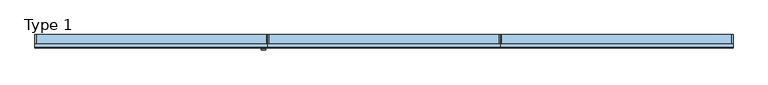
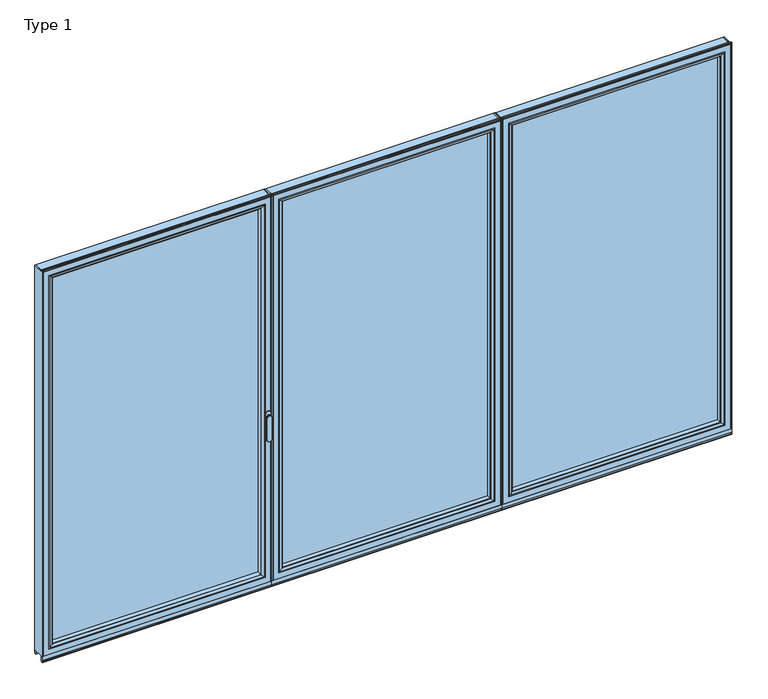
"""IFC4 building model written with IfcOpenShell, lengths in millimetres: window geometry, Type 1."""

from ifc_helpers import new_model, si_unit, point, frame, frame_2d, origin, place, context, project, spatial, polyline, circle_curve, ellipse_curve, trimmed, segment, composite_curve, outline, extrude, source, transform, mapped, element, save
from ifc_brep_helpers import plane_surface, cylinder_surface, extruded_surface, advanced_brep


def type_1_416e1570(model_context):
    return source(origin(), model_context, "Body", "SolidModel", [
        extrude(outline(polyline([(-639.6012885, 0.0), (-633.6012885, 0.0), (-633.6012885, -70.0), (-639.6012885, -70.0), (-639.6012885, 0.0)])), frame((0.0, 0.0, 75.0), z_axis=(0.0, 0.0, 1.0), x_axis=(1.0, 0.0, 0.0)), (0.0, 0.0, 1.0), 2262.0),
        extrude(outline(polyline([(639.5987115, 0.0), (639.5987115, -70.0), (633.5987115, -70.0), (633.5987115, 0.0), (639.5987115, 0.0)])), frame((0.0, 0.0, 75.0), z_axis=(0.0, 0.0, 1.0), x_axis=(1.0, 0.0, 0.0)), (0.0, 0.0, 1.0), 2262.0),
        extrude(outline(polyline([(-601.6012885, -13.999939), (601.5987115, -13.999939), (601.5987115, -37.9928974), (-601.6012885, -37.9928974), (-601.6012885, -13.999939)])), frame((0.0, 0.0, 107.0), z_axis=(0.0, 0.0, 1.0), x_axis=(1.0, 0.0, 0.0)), (0.0, 0.0, 1.0), 2198.0),
        advanced_brep(
        [(579.5991387, -64.5552044, 2283.0004272), (579.5991387, -37.9928974, 2283.0004272), (579.5991387, -37.9928974, 128.9995728), (579.5991387, -64.5552044, 128.9995728), (601.5987115, -37.9928974, 2305.0), (601.5987115, -37.9928974, 107.0), (-601.6012885, -37.9928974, 107.0), (-601.6012885, -37.9928974, 2305.0), (-579.6017157, -37.9928974, 2283.0004272), (-579.6017157, -37.9928974, 128.9995728), (-579.6017157, -64.5552044, 128.9995728), (580.3086822, -65.8045072, 2283.7099707), (580.3086822, -65.8045072, 128.2900293), (-580.3112592, -65.8045072, 128.2900293), (595.5987725, -70.0, 2299.000061), (595.5987725, -70.0, 112.999939), (-595.6013495, -70.0, 112.999939), (-601.6012885, -70.0, 2305.0), (-601.6012885, -70.0, 107.0), (601.5987115, -70.0, 107.0), (601.5987115, -70.0, 2305.0), (-595.6013495, -70.0, 2299.000061), (-579.6017157, -64.5552044, 2283.0004272), (-580.3112592, -65.8045072, 2283.7099707)],
        [
            (0, 1),
            (1, 2),
            (2, 3),
            (3, 0),
            (4, 5),
            (5, 6),
            (6, 7),
            (7, 4),
            (8, 9),
            (9, 2),
            (1, 8),
            (9, 10),
            (10, 3),
            (11, 0, ellipse_curve(frame((581.0537427, -64.5552044, 2284.4550312), z_axis=(0.7071067811865475, 0.0, -0.7071067811865475), x_axis=(0.7071067811865474, 0.0, 0.7071067811865476)), 2.0571207, 1.454604)),
            (3, 12, ellipse_curve(frame((581.0537427, -64.5552044, 127.5449688), z_axis=(0.7071067811865475, 0.0, 0.7071067811865475), x_axis=(-0.7071067811865474, 0.0, 0.7071067811865476)), 2.0571207, 1.454604)),
            (12, 11),
            (10, 13, ellipse_curve(frame((-581.0563197, -64.5552044, 127.5449688), z_axis=(0.7071067811865475, 0.0, -0.7071067811865475), x_axis=(0.7071067811865476, 0.0, 0.7071067811865474)), 2.0571207, 1.454604)),
            (13, 12),
            (14, 11, ellipse_curve(frame((595.5348369, -40.2735922, 2298.9361254), z_axis=(0.7071067811865475, 0.0, -0.7071067811865475), x_axis=(0.7071067811865474, 0.0, 0.7071067811865476)), 42.0395863, 29.7264765)),
            (12, 15, ellipse_curve(frame((595.5348369, -40.2735922, 113.0638746), z_axis=(0.7071067811865475, 0.0, 0.7071067811865475), x_axis=(-0.7071067811865474, 0.0, 0.7071067811865476)), 42.0395863, 29.7264765)),
            (15, 14),
            (13, 16, ellipse_curve(frame((-595.5374139, -40.2735922, 113.0638746), z_axis=(0.7071067811865475, 0.0, -0.7071067811865475), x_axis=(0.7071067811865476, 0.0, 0.7071067811865474)), 42.0395863, 29.7264765)),
            (16, 15),
            (17, 18),
            (18, 19),
            (19, 20),
            (20, 17),
            (16, 21),
            (21, 14),
            (4, 20),
            (19, 5),
            (18, 6),
            (8, 22),
            (22, 10),
            (22, 23, ellipse_curve(frame((-581.0563197, -64.5552044, 2284.4550312), z_axis=(-0.7071067811865475, 0.0, -0.7071067811865475), x_axis=(0.7071067811865474, 0.0, -0.7071067811865476)), 2.0571207, 1.454604)),
            (23, 13),
            (23, 21, ellipse_curve(frame((-595.5374139, -40.2735922, 2298.9361254), z_axis=(-0.7071067811865475, 0.0, -0.7071067811865475), x_axis=(0.7071067811865474, 0.0, -0.7071067811865476)), 42.0395863, 29.7264765)),
            (17, 7),
            (0, 22),
            (11, 23),
        ],
        [
            plane_surface(frame((579.5991387, -37.9928974, 2283.0004272), z_axis=(-1.0, 0.0, 0.0), x_axis=(0.0, 0.0, -1.0))),
            plane_surface(frame((-601.6012885, -37.9928974, 107.0), z_axis=(0.0, 1.0, 0.0), x_axis=(0.0, 0.0, 1.0))),
            plane_surface(frame((579.5991387, -37.9928974, 128.9995728), z_axis=(0.0, 0.0, 1.0), x_axis=(-1.0, 0.0, 0.0))),
            cylinder_surface(frame((581.0537427, -64.5552044, 2283.0004272), z_axis=(0.0, 0.0, 1.0), x_axis=(1.0, 0.0, 0.0)), 1.454604),
            cylinder_surface(frame((579.5991387, -64.5552044, 127.5449688), z_axis=(1.0, 0.0, 0.0), x_axis=(0.0, 0.0, -1.0)), 1.454604),
            cylinder_surface(frame((595.5348369, -40.2735922, 2283.0004272), z_axis=(0.0, 0.0, 1.0), x_axis=(1.0, 0.0, 0.0)), 29.7264765),
            cylinder_surface(frame((579.5991387, -40.2735922, 113.0638746), z_axis=(1.0, 0.0, 0.0), x_axis=(0.0, 0.0, -1.0)), 29.7264765),
            plane_surface(frame((-595.6013495, -70.0, 112.999939), z_axis=(0.0, -1.0, 0.0), x_axis=(0.0, 0.0, 1.0))),
            plane_surface(frame((601.5987115, -70.0, 2305.0), z_axis=(1.0, 0.0, 0.0), x_axis=(0.0, 0.0, -1.0))),
            plane_surface(frame((601.5987115, -70.0, 107.0), z_axis=(0.0, 0.0, -1.0), x_axis=(-1.0, 0.0, 0.0))),
            plane_surface(frame((-579.6017157, -37.9928974, 128.9995728), z_axis=(1.0, 0.0, 0.0), x_axis=(0.0, 0.0, 1.0))),
            cylinder_surface(frame((-581.0563197, -64.5552044, 128.9995728), z_axis=(0.0, 0.0, -1.0), x_axis=(-1.0, 0.0, 0.0)), 1.454604),
            cylinder_surface(frame((-595.5374139, -40.2735922, 128.9995728), z_axis=(0.0, 0.0, -1.0), x_axis=(-1.0, 0.0, 0.0)), 29.7264765),
            plane_surface(frame((-601.6012885, -70.0, 107.0), z_axis=(-1.0, 0.0, 0.0), x_axis=(0.0, 0.0, 1.0))),
            plane_surface(frame((-579.6017157, -37.9928974, 2283.0004272), z_axis=(0.0, 0.0, -1.0), x_axis=(1.0, 0.0, 0.0))),
            cylinder_surface(frame((-579.6017157, -64.5552044, 2284.4550312), z_axis=(-1.0, 0.0, 0.0), x_axis=(0.0, 0.0, 1.0)), 1.454604),
            cylinder_surface(frame((-579.6017157, -40.2735922, 2298.9361254), z_axis=(-1.0, 0.0, 0.0), x_axis=(0.0, 0.0, 1.0)), 29.7264765),
            plane_surface(frame((-601.6012885, -70.0, 2305.0), z_axis=(0.0, 0.0, 1.0), x_axis=(1.0, 0.0, 0.0))),
        ],
        [
            (0, [[1, 2, 3, 4]]),
            (1, [[5, 6, 7, 8], [9, 10, -2, 11]]),
            (2, [[-3, -10, 12, 13]]),
            (3, [[14, -4, 15, 16]]),
            (4, [[-15, -13, 17, 18]]),
            (5, [[19, -16, 20, 21]]),
            (6, [[-20, -18, 22, 23]]),
            (7, [[24, 25, 26, 27], [-21, -23, 28, 29]]),
            (8, [[30, -26, 31, -5]]),
            (9, [[-31, -25, 32, -6]]),
            (10, [[-12, -9, 33, 34]]),
            (11, [[-17, -34, 35, 36]]),
            (12, [[-22, -36, 37, -28]]),
            (13, [[-32, -24, 38, -7]]),
            (14, [[-33, -11, -1, 39]]),
            (15, [[-35, -39, -14, 40]]),
            (16, [[-37, -40, -19, -29]]),
            (17, [[-38, -27, -30, -8]]),
        ],
    ),
        advanced_brep(
        [(-633.6012885, -70.0, 2337.0), (-633.6012885, 0.0, 2337.0), (-633.6012885, 0.0, 75.0), (-633.6012885, -70.0, 75.0), (633.5987115, 0.0, 75.0), (633.5987115, -70.0, 75.0), (633.5987115, 0.0, 2337.0), (584.0995214, 0.0, 124.4991901), (584.0995214, 0.0, 2287.5008099), (-584.1020984, 0.0, 2287.5008099), (-584.1020984, 0.0, 124.4991901), (633.5987115, -70.0, 2337.0), (-601.6012885, -70.0, 107.0), (-601.6012885, -70.0, 2305.0), (601.5987115, -70.0, 2305.0), (601.5987115, -70.0, 107.0), (-601.6012885, -13.999939, 2305.0), (-601.6012885, -13.999939, 107.0), (601.5987115, -13.999939, 107.0), (601.5987115, -13.999939, 2305.0), (-579.6017157, -13.999939, 128.9995728), (-579.6017157, -13.999939, 2283.0004272), (579.5991387, -13.999939, 2283.0004272), (579.5991387, -13.999939, 128.9995728), (-579.6017157, -4.5004435, 2283.0004272), (-579.6017157, -4.5004435, 128.9995728), (579.5991387, -4.5004435, 128.9995728), (579.5991387, -4.5004435, 2283.0004272)],
        [
            (0, 1),
            (1, 2),
            (2, 3),
            (3, 0),
            (2, 4),
            (4, 5),
            (5, 3),
            (1, 6),
            (6, 4),
            (7, 8),
            (8, 9),
            (9, 10),
            (10, 7),
            (6, 11),
            (11, 5),
            (11, 0),
            (12, 13),
            (13, 14),
            (14, 15),
            (15, 12),
            (16, 13),
            (12, 17),
            (17, 16),
            (15, 18),
            (18, 17),
            (14, 19),
            (19, 18),
            (19, 16),
            (20, 21),
            (21, 22),
            (22, 23),
            (23, 20),
            (24, 21),
            (20, 25),
            (25, 24),
            (23, 26),
            (26, 25),
            (22, 27),
            (27, 26),
            (10, 25, ellipse_curve(frame((-584.1020984, -4.5004435, 124.4991901), z_axis=(0.7071067811865475, 0.0, -0.7071067811865475), x_axis=(-0.7071067811865476, 0.0, -0.7071067811865474)), 6.3645023, 4.5003827)),
            (26, 7, ellipse_curve(frame((584.0995214, -4.5004435, 124.4991901), z_axis=(-0.7071067811865475, 0.0, -0.7071067811865475), x_axis=(-0.7071067811865476, 0.0, 0.7071067811865474)), 6.3645023, 4.5003827)),
            (9, 24, ellipse_curve(frame((-584.1020984, -4.5004435, 2287.5008099), z_axis=(-0.7071067811865475, 0.0, -0.7071067811865475), x_axis=(-0.7071067811865474, 0.0, 0.7071067811865476)), 6.3645023, 4.5003827)),
            (27, 8, ellipse_curve(frame((584.0995214, -4.5004435, 2287.5008099), z_axis=(0.7071067811865475, 0.0, -0.7071067811865475), x_axis=(-0.7071067811865474, 0.0, -0.7071067811865476)), 6.3645023, 4.5003827)),
            (24, 27),
        ],
        [
            plane_surface(frame((-633.6012885, 0.0, 2337.0), z_axis=(-1.0, 0.0, 0.0), x_axis=(0.0, 0.0, -1.0))),
            plane_surface(frame((-633.6012885, 0.0, 75.0), z_axis=(0.0, 0.0, -1.0), x_axis=(1.0, 0.0, 0.0))),
            plane_surface(frame((-584.1020984, 0.0, 2287.5008099), z_axis=(0.0, 1.0, 0.0), x_axis=(0.0, 0.0, -1.0))),
            plane_surface(frame((633.5987115, 0.0, 75.0), z_axis=(1.0, 0.0, 0.0), x_axis=(0.0, 0.0, 1.0))),
            plane_surface(frame((-633.6012885, -70.0, 2337.0), z_axis=(0.0, -1.0, 0.0), x_axis=(0.0, 0.0, -1.0))),
            plane_surface(frame((-601.6012885, -70.0, 2305.0), z_axis=(1.0, 0.0, 0.0), x_axis=(0.0, 0.0, -1.0))),
            plane_surface(frame((-601.6012885, -70.0, 107.0), z_axis=(0.0, 0.0, 1.0), x_axis=(1.0, 0.0, 0.0))),
            plane_surface(frame((601.5987115, -70.0, 107.0), z_axis=(-1.0, 0.0, 0.0), x_axis=(0.0, 0.0, 1.0))),
            plane_surface(frame((-601.6012885, -13.999939, 2305.0), z_axis=(0.0, -1.0, 0.0), x_axis=(0.0, 0.0, -1.0))),
            plane_surface(frame((-579.6017157, -13.999939, 2283.0004272), z_axis=(1.0, 0.0, 0.0), x_axis=(0.0, 0.0, -1.0))),
            plane_surface(frame((-579.6017157, -13.999939, 128.9995728), z_axis=(0.0, 0.0, 1.0), x_axis=(1.0, 0.0, 0.0))),
            plane_surface(frame((579.5991387, -13.999939, 128.9995728), z_axis=(-1.0, 0.0, 0.0), x_axis=(0.0, 0.0, 1.0))),
            cylinder_surface(frame((-639.6012885, -4.5004435, 124.4991901), z_axis=(-1.0, 0.0, 0.0), x_axis=(0.0, -1.0, 0.0)), 4.5003827),
            cylinder_surface(frame((-584.1020984, -4.5004435, 2343.0), z_axis=(0.0, 0.0, 1.0), x_axis=(0.0, -1.0, 0.0)), 4.5003827),
            cylinder_surface(frame((584.0995214, -4.5004435, 69.0), z_axis=(0.0, 0.0, -1.0), x_axis=(0.0, -1.0, 0.0)), 4.5003827),
            plane_surface(frame((633.5987115, 0.0, 2337.0), z_axis=(0.0, 0.0, 1.0), x_axis=(-1.0, 0.0, 0.0))),
            plane_surface(frame((601.5987115, -70.0, 2305.0), z_axis=(0.0, 0.0, -1.0), x_axis=(-1.0, 0.0, 0.0))),
            plane_surface(frame((579.5991387, -13.999939, 2283.0004272), z_axis=(0.0, 0.0, -1.0), x_axis=(-1.0, 0.0, 0.0))),
            cylinder_surface(frame((639.5987115, -4.5004435, 2287.5008099), z_axis=(1.0, 0.0, 0.0), x_axis=(0.0, -1.0, 0.0)), 4.5003827),
        ],
        [
            (0, [[1, 2, 3, 4]]),
            (1, [[-3, 5, 6, 7]]),
            (2, [[-2, 8, 9, -5], [10, 11, 12, 13]]),
            (3, [[-6, -9, 14, 15]]),
            (4, [[-15, 16, -4, -7], [17, 18, 19, 20]]),
            (5, [[21, -17, 22, 23]]),
            (6, [[-22, -20, 24, 25]]),
            (7, [[-24, -19, 26, 27]]),
            (8, [[-27, 28, -23, -25], [29, 30, 31, 32]]),
            (9, [[33, -29, 34, 35]]),
            (10, [[-34, -32, 36, 37]]),
            (11, [[-36, -31, 38, 39]]),
            (12, [[40, -37, 41, -13]]),
            (13, [[42, -35, -40, -12]]),
            (14, [[-41, -39, 43, -10]]),
            (15, [[-14, -8, -1, -16]]),
            (16, [[-26, -18, -21, -28]]),
            (17, [[-38, -30, -33, 44]]),
            (18, [[-43, -44, -42, -11]]),
        ],
    ),
        extrude(outline(polyline([(-639.6012885, -7.6000076), (-639.6012885, 0.0), (639.5987115, 0.0), (639.5987115, -7.6000076), (-639.6012885, -7.6000076)])), frame((0.0, 0.0, 52.9995117), z_axis=(0.0, 0.0, 1.0), x_axis=(1.0, 0.0, 0.0)), (0.0, 0.0, 1.0), 22.0004883),
        extrude(outline(composite_curve([segment(polyline([(-70.0, 45.0), (-70.0, 41.2896854), (-70.8737, 41.2896854), (-71.8670103, 44.9870904)]), True, "CONTINUOUS"), segment(trimmed(circle_curve(frame_2d((-69.9354978, 45.5059925)), 2.0), [point((-71.8670103, 44.9870904))], [point((-71.8566157, 46.0621453))], False, "CARTESIAN"), True, "CONTINUOUS"), segment(polyline([(-71.8566157, 46.0621453), (-70.0, 52.4754501), (-70.0, 75.0), (-62.2757497, 75.0), (-62.2757497, 45.0), (-70.0, 45.0)]), True, "CONTINUOUS")], self_intersect=False)), frame((-639.6012885, 0.0, 0.0), z_axis=(1.0, 0.0, 0.0), x_axis=(0.0, 1.0, 0.0)), (0.0, 0.0, 1.0), 1279.2),
        extrude(outline(composite_curve([segment(polyline([(-52.044326, 2339.1400778), (-52.044326, 2337.0), (-70.0, 2337.0), (-71.8735116, 2343.9547971)]), True, "CONTINUOUS"), segment(trimmed(circle_curve(frame_2d((-69.9423544, 2344.4750201)), 2.0), [point((-71.8735116, 2343.9547971))], [point((-71.8738669, 2344.9939222))], False, "CARTESIAN"), True, "CONTINUOUS"), segment(polyline([(-71.8738669, 2344.9939222), (-70.8937897, 2348.6420698), (-70.0, 2348.6420698), (-70.0, 2342.963961), (-68.6363596, 2339.1400778), (-52.044326, 2339.1400778)]), True, "CONTINUOUS")], self_intersect=False)), frame((-639.6012885, 0.0, 0.0), z_axis=(1.0, 0.0, 0.0), x_axis=(0.0, 1.0, 0.0)), (0.0, 0.0, 1.0), 1279.2),
        advanced_brep(
        [(-673.5886308, -73.5, 1050.0), (-649.6113692, -73.5, 1050.0), (-649.6113692, -76.8965533, 1050.0), (-673.5886308, -76.8965533, 1050.0), (-673.5886308, -84.5, 1050.0), (-673.5886308, -84.5, 918.6867153), (-649.6113692, -84.5, 918.6867153), (-649.6113692, -84.5, 1050.0), (-649.6113692, -76.8965533, 918.6867153), (-673.5886308, -76.8965533, 918.6867153)],
        [
            (0, 1, circle_curve(frame((-661.6, -73.5, 1050.0), z_axis=(0.0, 1.0, 0.0), x_axis=(1.0, 0.0, 0.0)), 11.9886308)),
            (1, 0, circle_curve(frame((-661.6, -73.5, 1050.0), z_axis=(0.0, 1.0, 0.0), x_axis=(1.0, 0.0, 0.0)), 11.9886308)),
            (1, 2),
            (2, 3, circle_curve(frame((-661.6, -76.8965533, 1050.0), z_axis=(0.0, 1.0, 0.0), x_axis=(1.0, 0.0, 0.0)), 11.9886308)),
            (3, 0),
            (3, 2, circle_curve(frame((-661.6, -76.8965533, 1050.0), z_axis=(0.0, 1.0, 0.0), x_axis=(1.0, 0.0, 0.0)), 11.9886308)),
            (4, 5),
            (5, 6, ellipse_curve(frame((-661.6, -84.5, 918.6867153), z_axis=(0.0, -1.0, 0.0), x_axis=(-1.0, 0.0, 0.0)), 11.9886308, 7.9050795)),
            (6, 7),
            (7, 4, circle_curve(frame((-661.6, -84.5, 1050.0), z_axis=(0.0, -1.0, 0.0), x_axis=(1.0, 0.0, 0.0)), 11.9886308)),
            (2, 8),
            (8, 9, ellipse_curve(frame((-661.6, -76.8965533, 918.6867153), z_axis=(0.0, 1.0, 0.0), x_axis=(-1.0, 0.0, 0.0)), 11.9886308, 7.9050795)),
            (9, 3),
            (4, 3),
            (9, 5),
            (8, 6),
            (2, 7),
        ],
        [
            plane_surface(frame((-649.6113692, -73.5, 1050.0), z_axis=(0.0, 1.0, 0.0), x_axis=(0.0, 0.0, -1.0))),
            cylinder_surface(frame((-661.6, -73.5, 1050.0), z_axis=(0.0, -1.0, 0.0), x_axis=(1.0, 0.0, 0.0)), 11.9886308),
            plane_surface(frame((-673.5886308, -84.5, 928.3382074), z_axis=(0.0, -1.0, 0.0), x_axis=(0.0, 0.0, -1.0))),
            plane_surface(frame((-673.5886308, -76.8965533, 928.3382074), z_axis=(0.0, 1.0, 0.0), x_axis=(0.0, 0.0, 1.0))),
            plane_surface(frame((-673.5886308, -84.5, 1050.0), z_axis=(-1.0, 0.0, 0.0), x_axis=(0.0, 1.0, 0.0))),
            extruded_surface(trimmed(ellipse_curve(frame((-661.6, -69.2931066, 918.6867153), z_axis=(0.0, -1.0, 0.0), x_axis=(-1.0, 0.0, 0.0)), 11.9886308, 7.9050795), [point((-673.5886308, -69.2931066, 918.6867153))], [point((-649.6113692, -69.2931066, 918.6867153))], True, "CARTESIAN"), (0.0, -7.603446699999992, 0.0), 7.603446699999992),
            plane_surface(frame((-649.6113692, -84.5, 918.6867153), z_axis=(1.0, 0.0, 0.0), x_axis=(0.0, 1.0, 0.0))),
            cylinder_surface(frame((-661.6, -76.8965533, 1050.0), z_axis=(0.0, -1.0, 0.0), x_axis=(1.0, 0.0, 0.0)), 11.9886308),
        ],
        [
            (0, [[1, 2]]),
            (1, [[-2, 3, 4, 5]]),
            (1, [[-1, -5, 6, -3]]),
            (2, [[7, 8, 9, 10]]),
            (3, [[11, 12, 13, -4]]),
            (4, [[-7, 14, -13, 15]]),
            (5, [[-8, -15, -12, 16]]),
            (6, [[-9, -16, -11, 17]]),
            (7, [[-10, -17, -6, -14]]),
        ],
    ),
        extrude(outline(composite_curve([segment(polyline([(1068.75, -675.6), (1031.25, -675.6)]), True, "CONTINUOUS"), segment(trimmed(circle_curve(frame_2d((1031.25, -661.6)), 14.0), [point((1031.25, -675.6))], [point((1031.25, -647.6))], False, "CARTESIAN"), True, "CONTINUOUS"), segment(polyline([(1031.25, -647.6), (1068.75, -647.6)]), True, "CONTINUOUS"), segment(trimmed(circle_curve(frame_2d((1068.75, -661.6)), 14.0), [point((1068.75, -647.6))], [point((1068.75, -675.6))], False, "CARTESIAN"), True, "CONTINUOUS")], self_intersect=False)), frame((0.0, -73.5, 0.0), z_axis=(0.0, 1.0, 0.0), x_axis=(0.0, 0.0, 1.0)), (0.0, 0.0, 1.0), 3.5),
        extrude(outline(polyline([(-1918.8, 0.0), (-1912.8, 0.0), (-1912.8, -70.0), (-1918.8, -70.0), (-1918.8, 0.0)])), frame((0.0, 0.0, 75.0), z_axis=(0.0, 0.0, 1.0), x_axis=(1.0, 0.0, 0.0)), (0.0, 0.0, 1.0), 2262.0),
        extrude(outline(polyline([(-639.6, 0.0), (-639.6, -70.0), (-645.6, -70.0), (-645.6, 0.0), (-639.6, 0.0)])), frame((0.0, 0.0, 75.0), z_axis=(0.0, 0.0, 1.0), x_axis=(1.0, 0.0, 0.0)), (0.0, 0.0, 1.0), 2262.0),
        extrude(outline(polyline([(-1880.8, -13.999939), (-677.6, -13.999939), (-677.6, -37.9928974), (-1880.8, -37.9928974), (-1880.8, -13.999939)])), frame((0.0, 0.0, 107.0), z_axis=(0.0, 0.0, 1.0), x_axis=(1.0, 0.0, 0.0)), (0.0, 0.0, 1.0), 2198.0),
        advanced_brep(
        [(-699.5995728, -64.5552044, 2283.0004272), (-699.5995728, -37.9928974, 2283.0004272), (-699.5995728, -37.9928974, 128.9995728), (-699.5995728, -64.5552044, 128.9995728), (-677.6, -37.9928974, 2305.0), (-677.6, -37.9928974, 107.0), (-1880.8, -37.9928974, 107.0), (-1880.8, -37.9928974, 2305.0), (-1858.8004272, -37.9928974, 2283.0004272), (-1858.8004272, -37.9928974, 128.9995728), (-1858.8004272, -64.5552044, 128.9995728), (-698.8900293, -65.8045072, 2283.7099707), (-698.8900293, -65.8045072, 128.2900293), (-1859.5099707, -65.8045072, 128.2900293), (-683.599939, -70.0, 2299.000061), (-683.599939, -70.0, 112.999939), (-1874.800061, -70.0, 112.999939), (-1880.8, -70.0, 2305.0), (-1880.8, -70.0, 107.0), (-677.6, -70.0, 107.0), (-677.6, -70.0, 2305.0), (-1874.800061, -70.0, 2299.000061), (-1858.8004272, -64.5552044, 2283.0004272), (-1859.5099707, -65.8045072, 2283.7099707)],
        [
            (0, 1),
            (1, 2),
            (2, 3),
            (3, 0),
            (4, 5),
            (5, 6),
            (6, 7),
            (7, 4),
            (8, 9),
            (9, 2),
            (1, 8),
            (9, 10),
            (10, 3),
            (11, 0, ellipse_curve(frame((-698.1449688, -64.5552044, 2284.4550312), z_axis=(0.7071067811865475, 0.0, -0.7071067811865475), x_axis=(0.7071067811865474, 0.0, 0.7071067811865476)), 2.0571207, 1.454604)),
            (3, 12, ellipse_curve(frame((-698.1449688, -64.5552044, 127.5449688), z_axis=(0.7071067811865475, 0.0, 0.7071067811865475), x_axis=(-0.7071067811865474, 0.0, 0.7071067811865476)), 2.0571207, 1.454604)),
            (12, 11),
            (10, 13, ellipse_curve(frame((-1860.2550312, -64.5552044, 127.5449688), z_axis=(0.7071067811865475, 0.0, -0.7071067811865475), x_axis=(0.7071067811865476, 0.0, 0.7071067811865474)), 2.0571207, 1.454604)),
            (13, 12),
            (14, 11, ellipse_curve(frame((-683.6638746, -40.2735922, 2298.9361254), z_axis=(0.7071067811865475, 0.0, -0.7071067811865475), x_axis=(0.7071067811865474, 0.0, 0.7071067811865476)), 42.0395863, 29.7264765)),
            (12, 15, ellipse_curve(frame((-683.6638746, -40.2735922, 113.0638746), z_axis=(0.7071067811865475, 0.0, 0.7071067811865475), x_axis=(-0.7071067811865474, 0.0, 0.7071067811865476)), 42.0395863, 29.7264765)),
            (15, 14),
            (13, 16, ellipse_curve(frame((-1874.7361254, -40.2735922, 113.0638746), z_axis=(0.7071067811865475, 0.0, -0.7071067811865475), x_axis=(0.7071067811865476, 0.0, 0.7071067811865474)), 42.0395863, 29.7264765)),
            (16, 15),
            (17, 18),
            (18, 19),
            (19, 20),
            (20, 17),
            (16, 21),
            (21, 14),
            (4, 20),
            (19, 5),
            (18, 6),
            (8, 22),
            (22, 10),
            (22, 23, ellipse_curve(frame((-1860.2550312, -64.5552044, 2284.4550312), z_axis=(-0.7071067811865475, 0.0, -0.7071067811865475), x_axis=(0.7071067811865474, 0.0, -0.7071067811865476)), 2.0571207, 1.454604)),
            (23, 13),
            (23, 21, ellipse_curve(frame((-1874.7361254, -40.2735922, 2298.9361254), z_axis=(-0.7071067811865475, 0.0, -0.7071067811865475), x_axis=(0.7071067811865474, 0.0, -0.7071067811865476)), 42.0395863, 29.7264765)),
            (17, 7),
            (0, 22),
            (11, 23),
        ],
        [
            plane_surface(frame((-699.5995728, -37.9928974, 2283.0004272), z_axis=(-1.0, 0.0, 0.0), x_axis=(0.0, 0.0, -1.0))),
            plane_surface(frame((-1880.8, -37.9928974, 107.0), z_axis=(0.0, 1.0, 0.0), x_axis=(0.0, 0.0, 1.0))),
            plane_surface(frame((-699.5995728, -37.9928974, 128.9995728), z_axis=(0.0, 0.0, 1.0), x_axis=(-1.0, 0.0, 0.0))),
            cylinder_surface(frame((-698.1449688, -64.5552044, 2283.0004272), z_axis=(0.0, 0.0, 1.0), x_axis=(1.0, 0.0, 0.0)), 1.454604),
            cylinder_surface(frame((-699.5995728, -64.5552044, 127.5449688), z_axis=(1.0, 0.0, 0.0), x_axis=(0.0, 0.0, -1.0)), 1.454604),
            cylinder_surface(frame((-683.6638746, -40.2735922, 2283.0004272), z_axis=(0.0, 0.0, 1.0), x_axis=(1.0, 0.0, 0.0)), 29.7264765),
            cylinder_surface(frame((-699.5995728, -40.2735922, 113.0638746), z_axis=(1.0, 0.0, 0.0), x_axis=(0.0, 0.0, -1.0)), 29.7264765),
            plane_surface(frame((-1874.800061, -70.0, 112.999939), z_axis=(0.0, -1.0, 0.0), x_axis=(0.0, 0.0, 1.0))),
            plane_surface(frame((-677.6, -70.0, 2305.0), z_axis=(1.0, 0.0, 0.0), x_axis=(0.0, 0.0, -1.0))),
            plane_surface(frame((-677.6, -70.0, 107.0), z_axis=(0.0, 0.0, -1.0), x_axis=(-1.0, 0.0, 0.0))),
            plane_surface(frame((-1858.8004272, -37.9928974, 128.9995728), z_axis=(1.0, 0.0, 0.0), x_axis=(0.0, 0.0, 1.0))),
            cylinder_surface(frame((-1860.2550312, -64.5552044, 128.9995728), z_axis=(0.0, 0.0, -1.0), x_axis=(-1.0, 0.0, 0.0)), 1.454604),
            cylinder_surface(frame((-1874.7361254, -40.2735922, 128.9995728), z_axis=(0.0, 0.0, -1.0), x_axis=(-1.0, 0.0, 0.0)), 29.7264765),
            plane_surface(frame((-1880.8, -70.0, 107.0), z_axis=(-1.0, 0.0, 0.0), x_axis=(0.0, 0.0, 1.0))),
            plane_surface(frame((-1858.8004272, -37.9928974, 2283.0004272), z_axis=(0.0, 0.0, -1.0), x_axis=(1.0, 0.0, 0.0))),
            cylinder_surface(frame((-1858.8004272, -64.5552044, 2284.4550312), z_axis=(-1.0, 0.0, 0.0), x_axis=(0.0, 0.0, 1.0)), 1.454604),
            cylinder_surface(frame((-1858.8004272, -40.2735922, 2298.9361254), z_axis=(-1.0, 0.0, 0.0), x_axis=(0.0, 0.0, 1.0)), 29.7264765),
            plane_surface(frame((-1880.8, -70.0, 2305.0), z_axis=(0.0, 0.0, 1.0), x_axis=(1.0, 0.0, 0.0))),
        ],
        [
            (0, [[1, 2, 3, 4]]),
            (1, [[5, 6, 7, 8], [9, 10, -2, 11]]),
            (2, [[-3, -10, 12, 13]]),
            (3, [[14, -4, 15, 16]]),
            (4, [[-15, -13, 17, 18]]),
            (5, [[19, -16, 20, 21]]),
            (6, [[-20, -18, 22, 23]]),
            (7, [[24, 25, 26, 27], [-21, -23, 28, 29]]),
            (8, [[30, -26, 31, -5]]),
            (9, [[-31, -25, 32, -6]]),
            (10, [[-12, -9, 33, 34]]),
            (11, [[-17, -34, 35, 36]]),
            (12, [[-22, -36, 37, -28]]),
            (13, [[-32, -24, 38, -7]]),
            (14, [[-33, -11, -1, 39]]),
            (15, [[-35, -39, -14, 40]]),
            (16, [[-37, -40, -19, -29]]),
            (17, [[-38, -27, -30, -8]]),
        ],
    ),
        advanced_brep(
        [(-1912.8, -70.0, 2337.0), (-1912.8, 0.0, 2337.0), (-1912.8, 0.0, 75.0), (-1912.8, -70.0, 75.0), (-645.6, 0.0, 75.0), (-645.6, -70.0, 75.0), (-645.6, 0.0, 2337.0), (-695.0991901, 0.0, 124.4991901), (-695.0991901, 0.0, 2287.5008099), (-1863.3008099, 0.0, 2287.5008099), (-1863.3008099, 0.0, 124.4991901), (-645.6, -70.0, 2337.0), (-1880.8, -70.0, 107.0), (-1880.8, -70.0, 2305.0), (-677.6, -70.0, 2305.0), (-677.6, -70.0, 107.0), (-1880.8, -13.999939, 2305.0), (-1880.8, -13.999939, 107.0), (-677.6, -13.999939, 107.0), (-677.6, -13.999939, 2305.0), (-1858.8004272, -13.999939, 128.9995728), (-1858.8004272, -13.999939, 2283.0004272), (-699.5995728, -13.999939, 2283.0004272), (-699.5995728, -13.999939, 128.9995728), (-1858.8004272, -4.5004435, 2283.0004272), (-1858.8004272, -4.5004435, 128.9995728), (-699.5995728, -4.5004435, 128.9995728), (-699.5995728, -4.5004435, 2283.0004272)],
        [
            (0, 1),
            (1, 2),
            (2, 3),
            (3, 0),
            (2, 4),
            (4, 5),
            (5, 3),
            (1, 6),
            (6, 4),
            (7, 8),
            (8, 9),
            (9, 10),
            (10, 7),
            (6, 11),
            (11, 5),
            (11, 0),
            (12, 13),
            (13, 14),
            (14, 15),
            (15, 12),
            (16, 13),
            (12, 17),
            (17, 16),
            (15, 18),
            (18, 17),
            (14, 19),
            (19, 18),
            (19, 16),
            (20, 21),
            (21, 22),
            (22, 23),
            (23, 20),
            (24, 21),
            (20, 25),
            (25, 24),
            (23, 26),
            (26, 25),
            (22, 27),
            (27, 26),
            (10, 25, ellipse_curve(frame((-1863.3008099, -4.5004435, 124.4991901), z_axis=(0.7071067811865475, 0.0, -0.7071067811865475), x_axis=(-0.7071067811865476, 0.0, -0.7071067811865474)), 6.3645023, 4.5003827)),
            (26, 7, ellipse_curve(frame((-695.0991901, -4.5004435, 124.4991901), z_axis=(-0.7071067811865475, 0.0, -0.7071067811865475), x_axis=(-0.7071067811865476, 0.0, 0.7071067811865474)), 6.3645023, 4.5003827)),
            (9, 24, ellipse_curve(frame((-1863.3008099, -4.5004435, 2287.5008099), z_axis=(-0.7071067811865475, 0.0, -0.7071067811865475), x_axis=(-0.7071067811865474, 0.0, 0.7071067811865476)), 6.3645023, 4.5003827)),
            (27, 8, ellipse_curve(frame((-695.0991901, -4.5004435, 2287.5008099), z_axis=(0.7071067811865475, 0.0, -0.7071067811865475), x_axis=(-0.7071067811865474, 0.0, -0.7071067811865476)), 6.3645023, 4.5003827)),
            (24, 27),
        ],
        [
            plane_surface(frame((-1912.8, 0.0, 2337.0), z_axis=(-1.0, 0.0, 0.0), x_axis=(0.0, 0.0, -1.0))),
            plane_surface(frame((-1912.8, 0.0, 75.0), z_axis=(0.0, 0.0, -1.0), x_axis=(1.0, 0.0, 0.0))),
            plane_surface(frame((-1863.3008099, 0.0, 2287.5008099), z_axis=(0.0, 1.0, 0.0), x_axis=(0.0, 0.0, -1.0))),
            plane_surface(frame((-645.6, 0.0, 75.0), z_axis=(1.0, 0.0, 0.0), x_axis=(0.0, 0.0, 1.0))),
            plane_surface(frame((-1912.8, -70.0, 2337.0), z_axis=(0.0, -1.0, 0.0), x_axis=(0.0, 0.0, -1.0))),
            plane_surface(frame((-1880.8, -70.0, 2305.0), z_axis=(1.0, 0.0, 0.0), x_axis=(0.0, 0.0, -1.0))),
            plane_surface(frame((-1880.8, -70.0, 107.0), z_axis=(0.0, 0.0, 1.0), x_axis=(1.0, 0.0, 0.0))),
            plane_surface(frame((-677.6, -70.0, 107.0), z_axis=(-1.0, 0.0, 0.0), x_axis=(0.0, 0.0, 1.0))),
            plane_surface(frame((-1880.8, -13.999939, 2305.0), z_axis=(0.0, -1.0, 0.0), x_axis=(0.0, 0.0, -1.0))),
            plane_surface(frame((-1858.8004272, -13.999939, 2283.0004272), z_axis=(1.0, 0.0, 0.0), x_axis=(0.0, 0.0, -1.0))),
            plane_surface(frame((-1858.8004272, -13.999939, 128.9995728), z_axis=(0.0, 0.0, 1.0), x_axis=(1.0, 0.0, 0.0))),
            plane_surface(frame((-699.5995728, -13.999939, 128.9995728), z_axis=(-1.0, 0.0, 0.0), x_axis=(0.0, 0.0, 1.0))),
            cylinder_surface(frame((-1918.8, -4.5004435, 124.4991901), z_axis=(-1.0, 0.0, 0.0), x_axis=(0.0, -1.0, 0.0)), 4.5003827),
            cylinder_surface(frame((-1863.3008099, -4.5004435, 2343.0), z_axis=(0.0, 0.0, 1.0), x_axis=(0.0, -1.0, 0.0)), 4.5003827),
            cylinder_surface(frame((-695.0991901, -4.5004435, 69.0), z_axis=(0.0, 0.0, -1.0), x_axis=(0.0, -1.0, 0.0)), 4.5003827),
            plane_surface(frame((-645.6, 0.0, 2337.0), z_axis=(0.0, 0.0, 1.0), x_axis=(-1.0, 0.0, 0.0))),
            plane_surface(frame((-677.6, -70.0, 2305.0), z_axis=(0.0, 0.0, -1.0), x_axis=(-1.0, 0.0, 0.0))),
            plane_surface(frame((-699.5995728, -13.999939, 2283.0004272), z_axis=(0.0, 0.0, -1.0), x_axis=(-1.0, 0.0, 0.0))),
            cylinder_surface(frame((-639.6, -4.5004435, 2287.5008099), z_axis=(1.0, 0.0, 0.0), x_axis=(0.0, -1.0, 0.0)), 4.5003827),
        ],
        [
            (0, [[1, 2, 3, 4]]),
            (1, [[-3, 5, 6, 7]]),
            (2, [[-2, 8, 9, -5], [10, 11, 12, 13]]),
            (3, [[-6, -9, 14, 15]]),
            (4, [[-15, 16, -4, -7], [17, 18, 19, 20]]),
            (5, [[21, -17, 22, 23]]),
            (6, [[-22, -20, 24, 25]]),
            (7, [[-24, -19, 26, 27]]),
            (8, [[-27, 28, -23, -25], [29, 30, 31, 32]]),
            (9, [[33, -29, 34, 35]]),
            (10, [[-34, -32, 36, 37]]),
            (11, [[-36, -31, 38, 39]]),
            (12, [[40, -37, 41, -13]]),
            (13, [[42, -35, -40, -12]]),
            (14, [[-41, -39, 43, -10]]),
            (15, [[-14, -8, -1, -16]]),
            (16, [[-26, -18, -21, -28]]),
            (17, [[-38, -30, -33, 44]]),
            (18, [[-43, -44, -42, -11]]),
        ],
    ),
        extrude(outline(polyline([(-1918.8, -7.6000076), (-1918.8, 0.0), (-639.6, 0.0), (-639.6, -7.6000076), (-1918.8, -7.6000076)])), frame((0.0, 0.0, 52.9995117), z_axis=(0.0, 0.0, 1.0), x_axis=(1.0, 0.0, 0.0)), (0.0, 0.0, 1.0), 22.0004883),
        extrude(outline(composite_curve([segment(polyline([(-70.0, 45.0), (-70.0, 41.2896854), (-70.8737, 41.2896854), (-71.8670103, 44.9870904)]), True, "CONTINUOUS"), segment(trimmed(circle_curve(frame_2d((-69.9354978, 45.5059925)), 2.0), [point((-71.8670103, 44.9870904))], [point((-71.8566157, 46.0621453))], False, "CARTESIAN"), True, "CONTINUOUS"), segment(polyline([(-71.8566157, 46.0621453), (-70.0, 52.4754501), (-70.0, 75.0), (-62.2757497, 75.0), (-62.2757497, 45.0), (-70.0, 45.0)]), True, "CONTINUOUS")], self_intersect=False)), frame((-1918.8, 0.0, 0.0), z_axis=(1.0, 0.0, 0.0), x_axis=(0.0, 1.0, 0.0)), (0.0, 0.0, 1.0), 1279.2),
        extrude(outline(composite_curve([segment(polyline([(-52.044326, 2339.1400778), (-52.044326, 2337.0), (-70.0, 2337.0), (-71.8735116, 2343.9547971)]), True, "CONTINUOUS"), segment(trimmed(circle_curve(frame_2d((-69.9423544, 2344.4750201)), 2.0), [point((-71.8735116, 2343.9547971))], [point((-71.8738669, 2344.9939222))], False, "CARTESIAN"), True, "CONTINUOUS"), segment(polyline([(-71.8738669, 2344.9939222), (-70.8937897, 2348.6420698), (-70.0, 2348.6420698), (-70.0, 2342.963961), (-68.6363596, 2339.1400778), (-52.044326, 2339.1400778)]), True, "CONTINUOUS")], self_intersect=False)), frame((-1918.8, 0.0, 0.0), z_axis=(1.0, 0.0, 0.0), x_axis=(0.0, 1.0, 0.0)), (0.0, 0.0, 1.0), 1279.2),
        extrude(outline(polyline([(1918.7961345, 0.0), (1918.7961345, -70.0), (1912.7961345, -70.0), (1912.7961345, 0.0), (1918.7961345, 0.0)])), frame((0.0, 0.0, 75.0), z_axis=(0.0, 0.0, 1.0), x_axis=(1.0, 0.0, 0.0)), (0.0, 0.0, 1.0), 2262.0),
        extrude(outline(polyline([(639.5961345, 0.0), (645.5961345, 0.0), (645.5961345, -70.0), (639.5961345, -70.0), (639.5961345, 0.0)])), frame((0.0, 0.0, 75.0), z_axis=(0.0, 0.0, 1.0), x_axis=(1.0, 0.0, 0.0)), (0.0, 0.0, 1.0), 2262.0),
        extrude(outline(polyline([(1880.7961345, -13.999939), (1880.7961345, -37.9928974), (677.5961345, -37.9928974), (677.5961345, -13.999939), (1880.7961345, -13.999939)])), frame((0.0, 0.0, 107.0), z_axis=(0.0, 0.0, 1.0), x_axis=(1.0, 0.0, 0.0)), (0.0, 0.0, 1.0), 2198.0),
        advanced_brep(
        [(699.5957072, -64.5552044, 2283.0004272), (699.5957072, -64.5552044, 128.9995728), (699.5957072, -37.9928974, 128.9995728), (699.5957072, -37.9928974, 2283.0004272), (677.5961345, -37.9928974, 2305.0), (1880.7961345, -37.9928974, 2305.0), (1880.7961345, -37.9928974, 107.0), (677.5961345, -37.9928974, 107.0), (1858.7965617, -37.9928974, 2283.0004272), (1858.7965617, -37.9928974, 128.9995728), (1858.7965617, -64.5552044, 128.9995728), (698.8861638, -65.8045072, 2283.7099707), (698.8861638, -65.8045072, 128.2900293), (1859.5061052, -65.8045072, 128.2900293), (683.5960735, -70.0, 2299.000061), (683.5960735, -70.0, 112.999939), (1874.7961955, -70.0, 112.999939), (1880.7961345, -70.0, 2305.0), (677.5961345, -70.0, 2305.0), (677.5961345, -70.0, 107.0), (1880.7961345, -70.0, 107.0), (1874.7961955, -70.0, 2299.000061), (1858.7965617, -64.5552044, 2283.0004272), (1859.5061052, -65.8045072, 2283.7099707)],
        [
            (0, 1),
            (1, 2),
            (2, 3),
            (3, 0),
            (4, 5),
            (5, 6),
            (6, 7),
            (7, 4),
            (8, 3),
            (2, 9),
            (9, 8),
            (1, 10),
            (10, 9),
            (11, 12),
            (12, 1, ellipse_curve(frame((698.1411033, -64.5552044, 127.5449688), z_axis=(-0.7071067811865475, 0.0, 0.7071067811865475), x_axis=(0.7071067811865474, 0.0, 0.7071067811865476)), 2.0571207, 1.454604)),
            (0, 11, ellipse_curve(frame((698.1411033, -64.5552044, 2284.4550312), z_axis=(-0.7071067811865475, 0.0, -0.7071067811865475), x_axis=(-0.7071067811865474, 0.0, 0.7071067811865476)), 2.0571207, 1.454604)),
            (12, 13),
            (13, 10, ellipse_curve(frame((1860.2511657, -64.5552044, 127.5449688), z_axis=(-0.7071067811865475, 0.0, -0.7071067811865475), x_axis=(-0.7071067811865476, 0.0, 0.7071067811865474)), 2.0571207, 1.454604)),
            (14, 15),
            (15, 12, ellipse_curve(frame((683.6600091, -40.2735922, 113.0638746), z_axis=(-0.7071067811865475, 0.0, 0.7071067811865475), x_axis=(0.7071067811865474, 0.0, 0.7071067811865476)), 42.0395863, 29.7264765)),
            (11, 14, ellipse_curve(frame((683.6600091, -40.2735922, 2298.9361254), z_axis=(-0.7071067811865475, 0.0, -0.7071067811865475), x_axis=(-0.7071067811865474, 0.0, 0.7071067811865476)), 42.0395863, 29.7264765)),
            (15, 16),
            (16, 13, ellipse_curve(frame((1874.7322599, -40.2735922, 113.0638746), z_axis=(-0.7071067811865475, 0.0, -0.7071067811865475), x_axis=(-0.7071067811865476, 0.0, 0.7071067811865474)), 42.0395863, 29.7264765)),
            (17, 18),
            (18, 19),
            (19, 20),
            (20, 17),
            (14, 21),
            (21, 16),
            (7, 19),
            (18, 4),
            (6, 20),
            (10, 22),
            (22, 8),
            (13, 23),
            (23, 22, ellipse_curve(frame((1860.2511657, -64.5552044, 2284.4550312), z_axis=(0.7071067811865475, 0.0, -0.7071067811865475), x_axis=(-0.7071067811865474, 0.0, -0.7071067811865476)), 2.0571207, 1.454604)),
            (21, 23, ellipse_curve(frame((1874.7322599, -40.2735922, 2298.9361254), z_axis=(0.7071067811865475, 0.0, -0.7071067811865475), x_axis=(-0.7071067811865474, 0.0, -0.7071067811865476)), 42.0395863, 29.7264765)),
            (5, 17),
            (22, 0),
            (23, 11),
        ],
        [
            plane_surface(frame((699.5957072, -37.9928974, 2283.0004272), z_axis=(1.0, 0.0, 0.0), x_axis=(0.0, 0.0, -1.0))),
            plane_surface(frame((1880.7961345, -37.9928974, 107.0), z_axis=(0.0, 1.0, 0.0), x_axis=(0.0, 0.0, 1.0))),
            plane_surface(frame((699.5957072, -37.9928974, 128.9995728), z_axis=(0.0, 0.0, 1.0), x_axis=(1.0, 0.0, 0.0))),
            cylinder_surface(frame((698.1411033, -64.5552044, 2283.0004272), z_axis=(0.0, 0.0, 1.0), x_axis=(-1.0, 0.0, 0.0)), 1.454604),
            cylinder_surface(frame((699.5957072, -64.5552044, 127.5449688), z_axis=(-1.0, 0.0, 0.0), x_axis=(0.0, 0.0, -1.0)), 1.454604),
            cylinder_surface(frame((683.6600091, -40.2735922, 2283.0004272), z_axis=(0.0, 0.0, 1.0), x_axis=(-1.0, 0.0, 0.0)), 29.7264765),
            cylinder_surface(frame((699.5957072, -40.2735922, 113.0638746), z_axis=(-1.0, 0.0, 0.0), x_axis=(0.0, 0.0, -1.0)), 29.7264765),
            plane_surface(frame((1874.7961955, -70.0, 112.999939), z_axis=(0.0, -1.0, 0.0), x_axis=(0.0, 0.0, 1.0))),
            plane_surface(frame((677.5961345, -70.0, 2305.0), z_axis=(-1.0, 0.0, 0.0), x_axis=(0.0, 0.0, -1.0))),
            plane_surface(frame((677.5961345, -70.0, 107.0), z_axis=(0.0, 0.0, -1.0), x_axis=(1.0, 0.0, 0.0))),
            plane_surface(frame((1858.7965617, -37.9928974, 128.9995728), z_axis=(-1.0, 0.0, 0.0), x_axis=(0.0, 0.0, 1.0))),
            cylinder_surface(frame((1860.2511657, -64.5552044, 128.9995728), z_axis=(0.0, 0.0, -1.0), x_axis=(1.0, 0.0, 0.0)), 1.454604),
            cylinder_surface(frame((1874.7322599, -40.2735922, 128.9995728), z_axis=(0.0, 0.0, -1.0), x_axis=(1.0, 0.0, 0.0)), 29.7264765),
            plane_surface(frame((1880.7961345, -70.0, 107.0), z_axis=(1.0, 0.0, 0.0), x_axis=(0.0, 0.0, 1.0))),
            plane_surface(frame((1858.7965617, -37.9928974, 2283.0004272), z_axis=(0.0, 0.0, -1.0), x_axis=(-1.0, 0.0, 0.0))),
            cylinder_surface(frame((1858.7965617, -64.5552044, 2284.4550312), z_axis=(1.0, 0.0, 0.0), x_axis=(0.0, 0.0, 1.0)), 1.454604),
            cylinder_surface(frame((1858.7965617, -40.2735922, 2298.9361254), z_axis=(1.0, 0.0, 0.0), x_axis=(0.0, 0.0, 1.0)), 29.7264765),
            plane_surface(frame((1880.7961345, -70.0, 2305.0), z_axis=(0.0, 0.0, 1.0), x_axis=(-1.0, 0.0, 0.0))),
        ],
        [
            (0, [[1, 2, 3, 4]]),
            (1, [[5, 6, 7, 8], [9, -3, 10, 11]]),
            (2, [[12, 13, -10, -2]]),
            (3, [[14, 15, -1, 16]]),
            (4, [[17, 18, -12, -15]]),
            (5, [[19, 20, -14, 21]]),
            (6, [[22, 23, -17, -20]]),
            (7, [[24, 25, 26, 27], [28, 29, -22, -19]]),
            (8, [[-8, 30, -25, 31]]),
            (9, [[-7, 32, -26, -30]]),
            (10, [[33, 34, -11, -13]]),
            (11, [[35, 36, -33, -18]]),
            (12, [[-29, 37, -35, -23]]),
            (13, [[-6, 38, -27, -32]]),
            (14, [[39, -4, -9, -34]]),
            (15, [[40, -16, -39, -36]]),
            (16, [[-28, -21, -40, -37]]),
            (17, [[-5, -31, -24, -38]]),
        ],
    ),
        advanced_brep(
        [(1912.7961345, -70.0, 2337.0), (1912.7961345, -70.0, 75.0), (1912.7961345, 0.0, 75.0), (1912.7961345, 0.0, 2337.0), (645.5961345, -70.0, 75.0), (645.5961345, 0.0, 75.0), (645.5961345, 0.0, 2337.0), (695.0953246, 0.0, 124.4991901), (1863.2969444, 0.0, 124.4991901), (1863.2969444, 0.0, 2287.5008099), (695.0953246, 0.0, 2287.5008099), (645.5961345, -70.0, 2337.0), (1880.7961345, -70.0, 107.0), (677.5961345, -70.0, 107.0), (677.5961345, -70.0, 2305.0), (1880.7961345, -70.0, 2305.0), (1880.7961345, -13.999939, 2305.0), (1880.7961345, -13.999939, 107.0), (677.5961345, -13.999939, 107.0), (677.5961345, -13.999939, 2305.0), (1858.7965617, -13.999939, 128.9995728), (699.5957072, -13.999939, 128.9995728), (699.5957072, -13.999939, 2283.0004272), (1858.7965617, -13.999939, 2283.0004272), (1858.7965617, -4.5004435, 2283.0004272), (1858.7965617, -4.5004435, 128.9995728), (699.5957073, -4.5004435, 128.9995728), (699.5957072, -4.5004435, 2283.0004272)],
        [
            (0, 1),
            (1, 2),
            (2, 3),
            (3, 0),
            (1, 4),
            (4, 5),
            (5, 2),
            (5, 6),
            (6, 3),
            (7, 8),
            (8, 9),
            (9, 10),
            (10, 7),
            (4, 11),
            (11, 6),
            (0, 11),
            (12, 13),
            (13, 14),
            (14, 15),
            (15, 12),
            (16, 17),
            (17, 12),
            (15, 16),
            (17, 18),
            (18, 13),
            (18, 19),
            (19, 14),
            (16, 19),
            (20, 21),
            (21, 22),
            (22, 23),
            (23, 20),
            (24, 25),
            (25, 20),
            (23, 24),
            (25, 26),
            (26, 21),
            (26, 27),
            (27, 22),
            (7, 26, ellipse_curve(frame((695.0953246, -4.5004435, 124.4991901), z_axis=(0.7071067811865475, 0.0, -0.7071067811865475), x_axis=(0.7071067811865476, 0.0, 0.7071067811865474)), 6.3645023, 4.5003827)),
            (25, 8, ellipse_curve(frame((1863.2969444, -4.5004435, 124.4991901), z_axis=(-0.7071067811865475, 0.0, -0.7071067811865475), x_axis=(0.7071067811865476, 0.0, -0.7071067811865474)), 6.3645023, 4.5003827)),
            (24, 9, ellipse_curve(frame((1863.2969444, -4.5004435, 2287.5008099), z_axis=(0.7071067811865475, 0.0, -0.7071067811865475), x_axis=(0.7071067811865474, 0.0, 0.7071067811865476)), 6.3645023, 4.5003827)),
            (10, 27, ellipse_curve(frame((695.0953246, -4.5004435, 2287.5008099), z_axis=(-0.7071067811865475, 0.0, -0.7071067811865475), x_axis=(0.7071067811865474, 0.0, -0.7071067811865476)), 6.3645023, 4.5003827)),
            (27, 24),
        ],
        [
            plane_surface(frame((1912.7961345, 0.0, 2337.0), z_axis=(1.0, 0.0, 0.0), x_axis=(0.0, 0.0, -1.0))),
            plane_surface(frame((1912.7961345, 0.0, 75.0), z_axis=(0.0, 0.0, -1.0), x_axis=(-1.0, 0.0, 0.0))),
            plane_surface(frame((1863.2969444, 0.0, 2287.5008099), z_axis=(0.0, 1.0, 0.0), x_axis=(0.0, 0.0, -1.0))),
            plane_surface(frame((645.5961345, 0.0, 75.0), z_axis=(-1.0, 0.0, 0.0), x_axis=(0.0, 0.0, 1.0))),
            plane_surface(frame((1912.7961345, -70.0, 2337.0), z_axis=(0.0, -1.0, 0.0), x_axis=(0.0, 0.0, -1.0))),
            plane_surface(frame((1880.7961345, -70.0, 2305.0), z_axis=(-1.0, 0.0, 0.0), x_axis=(0.0, 0.0, -1.0))),
            plane_surface(frame((1880.7961345, -70.0, 107.0), z_axis=(0.0, 0.0, 1.0), x_axis=(-1.0, 0.0, 0.0))),
            plane_surface(frame((677.5961345, -70.0, 107.0), z_axis=(1.0, 0.0, 0.0), x_axis=(0.0, 0.0, 1.0))),
            plane_surface(frame((1880.7961345, -13.999939, 2305.0), z_axis=(0.0, -1.0, 0.0), x_axis=(0.0, 0.0, -1.0))),
            plane_surface(frame((1858.7965617, -13.999939, 2283.0004272), z_axis=(-1.0, 0.0, 0.0), x_axis=(0.0, 0.0, -1.0))),
            plane_surface(frame((1858.7965617, -13.999939, 128.9995728), z_axis=(0.0, 0.0, 1.0), x_axis=(-1.0, 0.0, 0.0))),
            plane_surface(frame((699.5957072, -13.999939, 128.9995728), z_axis=(1.0, 0.0, 0.0), x_axis=(0.0, 0.0, 1.0))),
            cylinder_surface(frame((1918.7961345, -4.5004435, 124.4991901), z_axis=(1.0, 0.0, 0.0), x_axis=(0.0, -1.0, 0.0)), 4.5003827),
            cylinder_surface(frame((1863.2969444, -4.5004435, 2343.0), z_axis=(0.0, 0.0, 1.0), x_axis=(0.0, -1.0, 0.0)), 4.5003827),
            cylinder_surface(frame((695.0953246, -4.5004435, 69.0), z_axis=(0.0, 0.0, -1.0), x_axis=(0.0, -1.0, 0.0)), 4.5003827),
            plane_surface(frame((645.5961345, 0.0, 2337.0), z_axis=(0.0, 0.0, 1.0), x_axis=(1.0, 0.0, 0.0))),
            plane_surface(frame((677.5961345, -70.0, 2305.0), z_axis=(0.0, 0.0, -1.0), x_axis=(1.0, 0.0, 0.0))),
            plane_surface(frame((699.5957072, -13.999939, 2283.0004272), z_axis=(0.0, 0.0, -1.0), x_axis=(1.0, 0.0, 0.0))),
            cylinder_surface(frame((639.5961345, -4.5004435, 2287.5008099), z_axis=(-1.0, 0.0, 0.0), x_axis=(0.0, -1.0, 0.0)), 4.5003827),
        ],
        [
            (0, [[1, 2, 3, 4]]),
            (1, [[5, 6, 7, -2]]),
            (2, [[-7, 8, 9, -3], [10, 11, 12, 13]]),
            (3, [[14, 15, -8, -6]]),
            (4, [[-5, -1, 16, -14], [17, 18, 19, 20]]),
            (5, [[21, 22, -20, 23]]),
            (6, [[24, 25, -17, -22]]),
            (7, [[26, 27, -18, -25]]),
            (8, [[-24, -21, 28, -26], [29, 30, 31, 32]]),
            (9, [[33, 34, -32, 35]]),
            (10, [[36, 37, -29, -34]]),
            (11, [[38, 39, -30, -37]]),
            (12, [[-10, 40, -36, 41]]),
            (13, [[-11, -41, -33, 42]]),
            (14, [[-13, 43, -38, -40]]),
            (15, [[-16, -4, -9, -15]]),
            (16, [[-28, -23, -19, -27]]),
            (17, [[44, -35, -31, -39]]),
            (18, [[-12, -42, -44, -43]]),
        ],
    ),
        extrude(outline(polyline([(1918.7961345, -7.6000076), (639.5961345, -7.6000076), (639.5961345, 0.0), (1918.7961345, 0.0), (1918.7961345, -7.6000076)])), frame((0.0, 0.0, 52.9995117), z_axis=(0.0, 0.0, 1.0), x_axis=(1.0, 0.0, 0.0)), (0.0, 0.0, 1.0), 22.0004883),
        extrude(outline(composite_curve([segment(polyline([(-70.0, 45.0), (-70.0, 41.2896854), (-70.8737, 41.2896854), (-71.8670103, 44.9870904)]), True, "CONTINUOUS"), segment(trimmed(circle_curve(frame_2d((-69.9354978, 45.5059925)), 2.0), [point((-71.8670103, 44.9870904))], [point((-71.8566157, 46.0621453))], False, "CARTESIAN"), True, "CONTINUOUS"), segment(polyline([(-71.8566157, 46.0621453), (-70.0, 52.4754501), (-70.0, 75.0), (-62.2757497, 75.0), (-62.2757497, 45.0), (-70.0, 45.0)]), True, "CONTINUOUS")], self_intersect=False)), frame((639.5961345, 0.0, 0.0), z_axis=(1.0, 0.0, 0.0), x_axis=(0.0, 1.0, 0.0)), (0.0, 0.0, 1.0), 1279.2),
        extrude(outline(composite_curve([segment(polyline([(-52.044326, 2339.1400778), (-52.044326, 2337.0), (-70.0, 2337.0), (-71.8735116, 2343.9547971)]), True, "CONTINUOUS"), segment(trimmed(circle_curve(frame_2d((-69.9423544, 2344.4750201)), 2.0), [point((-71.8735116, 2343.9547971))], [point((-71.8738669, 2344.9939222))], False, "CARTESIAN"), True, "CONTINUOUS"), segment(polyline([(-71.8738669, 2344.9939222), (-70.8937897, 2348.6420698), (-70.0, 2348.6420698), (-70.0, 2342.963961), (-68.6363596, 2339.1400778), (-52.044326, 2339.1400778)]), True, "CONTINUOUS")], self_intersect=False)), frame((639.5961345, 0.0, 0.0), z_axis=(1.0, 0.0, 0.0), x_axis=(0.0, 1.0, 0.0)), (0.0, 0.0, 1.0), 1279.2),
    ])


if __name__ == "__main__":
    model = new_model("IFC4")
    model_context = context("Model", 3, world=origin())
    ifc_project = project(units=[si_unit("LENGTHUNIT", "METRE", prefix="MILLI")], contexts=[model_context])
    site = spatial("IfcSite", under=ifc_project)
    building = spatial("IfcBuilding", under=site)
    placement = place(None, origin())
    type_1_shape = type_1_416e1570(model_context)
    element("IfcWindow", 1, ObjectType="Type 1", at=placement, inside=building, context=model_context, shape_type="MappedRepresentation", body=[
        mapped(type_1_shape, transform((0.0, 0.0, 0.0), x_axis=(1.0, 0.0, 0.0), y_axis=(0.0, 1.0, 0.0), z_axis=(0.0, 0.0, 1.0))),
    ])
    save(model, "model.ifc")
